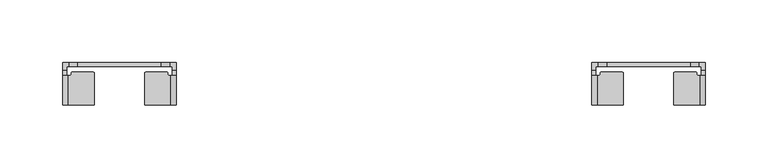
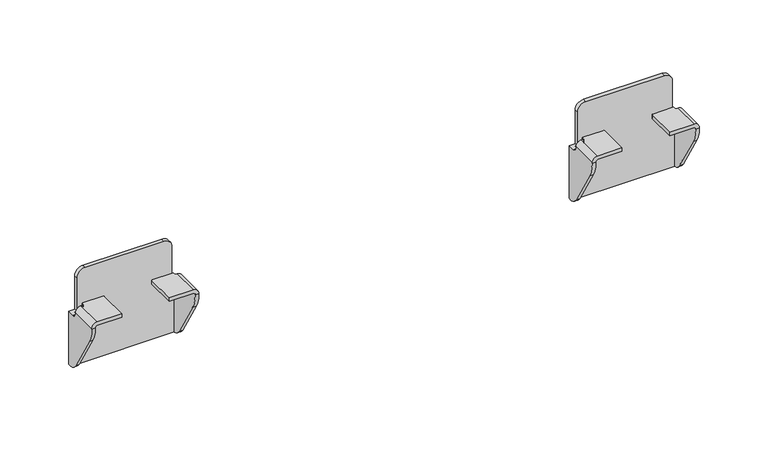
"""IFC4 building model written with IfcOpenShell, lengths in millimetres: furniture geometry."""

from ifc_helpers import new_model, si_unit, frame, origin, place, context, project, spatial, polyline, circle_curve, source, transform, mapped, element, save
from ifc_brep_helpers import plane_surface, cylinder_surface, revolved_surface, advanced_brep


def furniture_9042d44c(model_context):
    return source(origin(), model_context, "Body", "AdvancedBrep", [
        advanced_brep(
        [(569.5999933, 1.06716, 620.0380983), (569.5999933, 4.1049999, 620.0380983), (564.5999987, 4.1049999, 620.0380983), (564.5999987, -1.6875933, 620.0380983), (567.6378311, -1.6875933, 620.0380983), (567.6378311, 1.06716, 620.0380983), (649.6000067, 4.1049999, 620.0380983), (649.6000067, 1.06716, 620.0380983), (651.5621689, 1.06716, 620.0380983), (651.5621689, -1.6875933, 620.0380983), (654.6000013, -1.6875933, 620.0380983), (654.6000013, 4.1049999, 620.0380983), (649.5999885, 4.1049999, 649.8381144), (649.5999885, 1.06716, 649.8381144), (642.5999979, 4.1049999, 656.838105), (642.5999979, 1.06716, 656.838105), (576.6000021, 4.1049999, 656.838105), (576.6000021, 1.06716, 656.838105), (569.5999933, 4.1049999, 649.8380962), (569.5999933, 1.06716, 649.8380962), (589.5999989, -29.5203411, 626.5001312), (589.5999989, -29.5203411, 629.5379545), (569.0425228, -29.5203411, 629.5379545), (564.5999987, -29.5203411, 625.0954304), (564.5999987, -29.5203411, 624.6295199), (567.6378311, -29.5203411, 624.6295199), (567.6378311, -29.5203411, 625.0357436), (569.1022188, -29.5203411, 626.5001312), (629.6000011, -29.5203411, 626.5001312), (650.0977812, -29.5203411, 626.5001312), (651.5621689, -29.5203411, 625.0357436), (651.5621689, -29.5203411, 624.6295199), (654.6000013, -29.5203411, 624.6295199), (654.6000013, -29.5203411, 625.0954304), (650.1574772, -29.5203411, 629.5379545), (629.6000011, -29.5203411, 629.5379545), (654.6000013, 4.1049999, 573.0381329), (564.5999987, 4.1049999, 573.0381329), (589.5999989, -4.3999769, 626.5001312), (589.5999989, -4.3999769, 629.5379545), (588.7203621, -3.5203401, 629.5379545), (571.837616, -3.5203401, 629.5379545), (571.0999926, -4.2579635, 629.5379545), (571.0999926, -5.4397153, 629.5379545), (570.5193678, -6.0203402, 629.5379545), (569.0425228, -6.0203402, 629.5379545), (564.5999987, -6.0203402, 625.0954304), (564.5999987, -6.0203402, 624.3708452), (564.5999987, 0.8823599, 573.0381329), (564.5999987, -5.9290326, 577.9183582), (564.5999987, -25.8702399, 611.375914), (567.6378311, 0.8823599, 573.0381329), (654.6000013, 0.8823599, 573.0381329), (651.5621689, 0.8823599, 573.0381329), (651.5621689, 1.06716, 573.0381329), (567.6378311, 1.06716, 573.0381329), (567.6378311, -25.8702399, 611.375914), (567.6378311, -5.9290326, 577.9183582), (567.6378311, -6.0203402, 624.3708452), (567.6378311, -6.0203402, 625.0357436), (569.1022188, -6.0203402, 626.5001312), (570.5193678, -6.0203402, 626.5001312), (571.0999926, -5.4397153, 626.5001312), (571.0999926, -4.2579635, 626.5001312), (571.837616, -3.5203401, 626.5001312), (588.7203621, -3.5203401, 626.5001312), (629.6000011, -4.3999769, 626.5001312), (630.4796379, -3.5203401, 626.5001312), (647.362384, -3.5203401, 626.5001312), (648.1000074, -4.2579635, 626.5001312), (648.1000074, -5.4397153, 626.5001312), (648.6806322, -6.0203402, 626.5001312), (650.0977812, -6.0203402, 626.5001312), (651.5621689, -6.0203402, 625.0357436), (651.5621689, -6.0203402, 624.3708452), (651.5621689, -5.9290326, 577.9183582), (651.5621689, -25.8702399, 611.375914), (654.6000013, -25.8702399, 611.375914), (654.6000013, -5.9290326, 577.9183582), (654.6000013, -6.0203402, 624.3708452), (654.6000013, -6.0203402, 625.0954304), (650.1574772, -6.0203402, 629.5379545), (648.6806322, -6.0203402, 629.5379545), (648.1000074, -5.4397153, 629.5379545), (648.1000074, -4.2579635, 629.5379545), (647.362384, -3.5203401, 629.5379545), (630.4796379, -3.5203401, 629.5379545), (629.6000011, -4.3999769, 629.5379545)],
        [
            (0, 1),
            (1, 2),
            (2, 3),
            (3, 4),
            (4, 5),
            (5, 0),
            (6, 7),
            (7, 8),
            (8, 9),
            (9, 10),
            (10, 11),
            (11, 6),
            (12, 13),
            (13, 7),
            (6, 12),
            (12, 14, circle_curve(frame((642.5999979, 4.1049999, 649.8381144), z_axis=(0.0, -1.0, 0.0), x_axis=(1.0, 0.0, 0.0)), 6.9999906)),
            (14, 15),
            (15, 13, circle_curve(frame((642.5999979, 1.06716, 649.8381144), z_axis=(0.0, 1.0, 0.0), x_axis=(1.0, 0.0, 0.0)), 6.9999906)),
            (14, 16),
            (16, 17),
            (17, 15),
            (16, 18, circle_curve(frame((576.6000021, 4.1049999, 649.8380962), z_axis=(0.0, -1.0, 0.0), x_axis=(1.0, 0.0, 0.0)), 7.0000088)),
            (18, 19),
            (19, 17, circle_curve(frame((576.6000021, 1.06716, 649.8380962), z_axis=(0.0, 1.0, 0.0), x_axis=(1.0, 0.0, 0.0)), 7.0000088)),
            (18, 1),
            (0, 19),
            (20, 21),
            (21, 22),
            (22, 23, circle_curve(frame((569.0425228, -29.5203411, 625.0954304), z_axis=(0.0, -1.0, 0.0), x_axis=(1.0, 0.0, 0.0)), 4.4425241)),
            (23, 24),
            (24, 25),
            (25, 26),
            (26, 27, circle_curve(frame((569.1022188, -29.5203411, 625.0357436), z_axis=(0.0, 1.0, 0.0), x_axis=(1.0, 0.0, 0.0)), 1.4643876)),
            (27, 20),
            (28, 29),
            (29, 30, circle_curve(frame((650.0977812, -29.5203411, 625.0357436), z_axis=(0.0, 1.0, 0.0), x_axis=(-1.0, 0.0, 0.0)), 1.4643876)),
            (30, 31),
            (31, 32),
            (32, 33),
            (33, 34, circle_curve(frame((650.1574772, -29.5203411, 625.0954304), z_axis=(0.0, -1.0, 0.0), x_axis=(-1.0, 0.0, 0.0)), 4.4425241)),
            (34, 35),
            (35, 28),
            (11, 36),
            (36, 37),
            (37, 2),
            (20, 38),
            (38, 39),
            (39, 21),
            (39, 40, circle_curve(frame((588.7203621, -4.3999769, 629.5379545), z_axis=(0.0, 0.0, 1.0), x_axis=(1.0, 0.0, 0.0)), 0.8796369)),
            (40, 41),
            (41, 42, circle_curve(frame((571.837616, -4.2579635, 629.5379545), z_axis=(0.0, 0.0, 1.0), x_axis=(1.0, 0.0, 0.0)), 0.7376234)),
            (42, 43),
            (43, 44, circle_curve(frame((570.5193678, -5.4397153, 629.5379545), z_axis=(0.0, 0.0, -1.0), x_axis=(1.0, 0.0, 0.0)), 0.5806249)),
            (44, 45),
            (45, 22),
            (45, 46, circle_curve(frame((569.0425228, -6.0203402, 625.0954304), z_axis=(0.0, -1.0, 0.0), x_axis=(1.0, 0.0, 0.0)), 4.4425241)),
            (46, 23),
            (46, 47),
            (47, 3, circle_curve(frame((564.5999987, -1.6875933, 624.3708452), z_axis=(1.0, 0.0, 0.0), x_axis=(0.0, -1.0, 0.0)), 4.3327469)),
            (37, 48),
            (48, 49, circle_curve(frame((564.5999987, 3.066225, 583.2796673), z_axis=(-1.0, 0.0, 0.0), x_axis=(0.0, -1.0, 0.0)), 10.4717856)),
            (49, 50),
            (50, 24, circle_curve(frame((564.5999987, -3.6332082, 624.6295199), z_axis=(-1.0, 0.0, 0.0), x_axis=(0.0, -1.0, 0.0)), 25.8871329)),
            (51, 48),
            (36, 52),
            (52, 53),
            (53, 54),
            (54, 55),
            (55, 51),
            (25, 56, circle_curve(frame((567.6378311, -3.6332082, 624.6295199), z_axis=(1.0, 0.0, 0.0), x_axis=(0.0, -1.0, 0.0)), 25.8871329)),
            (56, 57),
            (57, 51, circle_curve(frame((567.6378311, 3.066225, 583.2796673), z_axis=(1.0, 0.0, 0.0), x_axis=(0.0, -1.0, 0.0)), 10.4717856)),
            (55, 5),
            (4, 58, circle_curve(frame((567.6378311, -1.6875933, 624.3708452), z_axis=(-1.0, 0.0, 0.0), x_axis=(0.0, -1.0, 0.0)), 4.3327469)),
            (58, 59),
            (59, 26),
            (59, 60, circle_curve(frame((569.1022188, -6.0203402, 625.0357436), z_axis=(0.0, 1.0, 0.0), x_axis=(1.0, 0.0, 0.0)), 1.4643876)),
            (60, 27),
            (60, 61),
            (61, 62, circle_curve(frame((570.5193678, -5.4397153, 626.5001312), z_axis=(0.0, 0.0, 1.0), x_axis=(1.0, 0.0, 0.0)), 0.5806249)),
            (62, 63),
            (63, 64, circle_curve(frame((571.837616, -4.2579635, 626.5001312), z_axis=(0.0, 0.0, -1.0), x_axis=(1.0, 0.0, 0.0)), 0.7376234)),
            (64, 65),
            (65, 38, circle_curve(frame((588.7203621, -4.3999769, 626.5001312), z_axis=(0.0, 0.0, -1.0), x_axis=(1.0, 0.0, 0.0)), 0.8796369)),
            (28, 66),
            (66, 67, circle_curve(frame((630.4796379, -4.3999769, 626.5001312), z_axis=(0.0, 0.0, -1.0), x_axis=(-1.0, 0.0, 0.0)), 0.8796369)),
            (67, 68),
            (68, 69, circle_curve(frame((647.362384, -4.2579635, 626.5001312), z_axis=(0.0, 0.0, -1.0), x_axis=(-1.0, 0.0, 0.0)), 0.7376234)),
            (69, 70),
            (70, 71, circle_curve(frame((648.6806322, -5.4397153, 626.5001312), z_axis=(0.0, 0.0, 1.0), x_axis=(-1.0, 0.0, 0.0)), 0.5806249)),
            (71, 72),
            (72, 29),
            (72, 73, circle_curve(frame((650.0977812, -6.0203402, 625.0357436), z_axis=(0.0, 1.0, 0.0), x_axis=(-1.0, 0.0, 0.0)), 1.4643876)),
            (73, 30),
            (73, 74),
            (74, 9, circle_curve(frame((651.5621689, -1.6875933, 624.3708452), z_axis=(1.0, 0.0, 0.0), x_axis=(0.0, -1.0, 0.0)), 4.3327469)),
            (8, 54),
            (53, 75, circle_curve(frame((651.5621689, 3.066225, 583.2796673), z_axis=(-1.0, 0.0, 0.0), x_axis=(0.0, -1.0, 0.0)), 10.4717856)),
            (75, 76),
            (76, 31, circle_curve(frame((651.5621689, -3.6332082, 624.6295199), z_axis=(-1.0, 0.0, 0.0), x_axis=(0.0, -1.0, 0.0)), 25.8871329)),
            (32, 77, circle_curve(frame((654.6000013, -3.6332082, 624.6295199), z_axis=(1.0, 0.0, 0.0), x_axis=(0.0, -1.0, 0.0)), 25.8871329)),
            (77, 78),
            (78, 52, circle_curve(frame((654.6000013, 3.066225, 583.2796673), z_axis=(1.0, 0.0, 0.0), x_axis=(0.0, -1.0, 0.0)), 10.4717856)),
            (10, 79, circle_curve(frame((654.6000013, -1.6875933, 624.3708452), z_axis=(-1.0, 0.0, 0.0), x_axis=(0.0, -1.0, 0.0)), 4.3327469)),
            (79, 80),
            (80, 33),
            (80, 81, circle_curve(frame((650.1574772, -6.0203402, 625.0954304), z_axis=(0.0, -1.0, 0.0), x_axis=(-1.0, 0.0, 0.0)), 4.4425241)),
            (81, 34),
            (81, 82),
            (82, 83, circle_curve(frame((648.6806322, -5.4397153, 629.5379545), z_axis=(0.0, 0.0, -1.0), x_axis=(-1.0, 0.0, 0.0)), 0.5806249)),
            (83, 84),
            (84, 85, circle_curve(frame((647.362384, -4.2579635, 629.5379545), z_axis=(0.0, 0.0, 1.0), x_axis=(-1.0, 0.0, 0.0)), 0.7376234)),
            (85, 86),
            (86, 87, circle_curve(frame((630.4796379, -4.3999769, 629.5379545), z_axis=(0.0, 0.0, 1.0), x_axis=(-1.0, 0.0, 0.0)), 0.8796369)),
            (87, 35),
            (87, 66),
            (49, 57),
            (56, 50),
            (75, 78),
            (77, 76),
            (47, 58),
            (74, 79),
            (64, 41),
            (40, 65),
            (44, 61),
            (43, 62),
            (42, 63),
            (68, 85),
            (84, 69),
            (83, 70),
            (82, 71),
            (86, 67),
        ],
        [
            plane_surface(frame((568.4182251, 1.06716, 620.0380983), z_axis=(0.0, 0.0, 1.0), x_axis=(0.0, 1.0, 0.0))),
            plane_surface(frame((654.6000013, 1.06716, 620.0380983), z_axis=(0.0, 0.0, 1.0), x_axis=(0.0, 1.0, 0.0))),
            plane_surface(frame((649.5999885, 1.06716, 621.2198666), z_axis=(1.0, 0.0, 0.0), x_axis=(0.0, 1.0, 0.0))),
            cylinder_surface(frame((642.5999979, 4.1049999, 649.8381144), z_axis=(0.0, -1.0, 0.0), x_axis=(1.0, 0.0, 0.0)), 6.9999906),
            plane_surface(frame((642.5999979, 1.06716, 656.838105), z_axis=(0.0, 0.0, 1.0), x_axis=(0.0, 1.0, 0.0))),
            cylinder_surface(frame((576.6000021, 4.1049999, 649.8380962), z_axis=(0.0, -1.0, 0.0), x_axis=(1.0, 0.0, 0.0)), 7.0000088),
            plane_surface(frame((569.5999933, 1.06716, 649.8380962), z_axis=(-1.0, 0.0, 0.0), x_axis=(0.0, 1.0, 0.0))),
            plane_surface(frame((589.5999989, -29.5203411, 629.5379545), z_axis=(0.0, -1.0, 0.0), x_axis=(0.0, 0.0, 1.0))),
            plane_surface(frame((589.5999989, 4.1049999, 629.5379545), z_axis=(0.0, 1.0, 0.0), x_axis=(0.0, 0.0, -1.0))),
            plane_surface(frame((589.5999989, -29.5203411, 626.5001312), z_axis=(1.0, 0.0, 0.0), x_axis=(0.0, 1.0, 0.0))),
            plane_surface(frame((589.5999989, -29.5203411, 629.5379545), z_axis=(0.0, 0.0, 1.0), x_axis=(0.0, 1.0, 0.0))),
            cylinder_surface(frame((569.0425228, 4.1049999, 625.0954304), z_axis=(0.0, -1.0, 0.0), x_axis=(1.0, 0.0, 0.0)), 4.4425241),
            plane_surface(frame((564.5999987, -29.5203411, 625.0954304), z_axis=(-1.0, 0.0, 0.0), x_axis=(0.0, 1.0, 0.0))),
            plane_surface(frame((564.5999987, -29.5203411, 573.0381329), z_axis=(0.0, 0.0, -1.0), x_axis=(0.0, 1.0, 0.0))),
            plane_surface(frame((567.6378311, -29.5203411, 573.0381329), z_axis=(1.0, 0.0, 0.0), x_axis=(0.0, 1.0, 0.0))),
            revolved_surface(polyline([(570.5666064, -6.020340199999999, 625.0357436), (570.5666064, -29.5203411, 625.0357436)]), (569.1022188, 4.1049999, 625.0357436), (0.0, 1.0, 0.0)),
            plane_surface(frame((569.1022188, -29.5203411, 626.5001312), z_axis=(0.0, 0.0, -1.0), x_axis=(0.0, 1.0, 0.0))),
            plane_surface(frame((629.6000011, -29.5203411, 626.5001312), z_axis=(0.0, 0.0, -1.0), x_axis=(0.0, 1.0, 0.0))),
            revolved_surface(polyline([(648.6333936, -6.0203402, 625.0357436), (648.6333936, -29.5203411, 625.0357436)]), (650.0977812, 0.0, 625.0357436), (0.0, 1.0, 0.0)),
            plane_surface(frame((651.5621689, -29.5203411, 625.0357436), z_axis=(-1.0, 0.0, 0.0), x_axis=(0.0, 1.0, 0.0))),
            plane_surface(frame((654.6000013, -29.5203411, 573.0381329), z_axis=(1.0, 0.0, 0.0), x_axis=(0.0, 1.0, 0.0))),
            cylinder_surface(frame((650.1574772, 0.0, 625.0954304), z_axis=(0.0, -1.0, 0.0), x_axis=(-1.0, 0.0, 0.0)), 4.4425241),
            plane_surface(frame((650.1574772, -29.5203411, 629.5379545), z_axis=(0.0, 0.0, 1.0), x_axis=(0.0, 1.0, 0.0))),
            plane_surface(frame((629.6000011, -29.5203411, 629.5379545), z_axis=(-1.0, 0.0, 0.0), x_axis=(0.0, 1.0, 0.0))),
            plane_surface(frame((657.1335525, -5.9290326, 577.9183582), z_axis=(0.0, -0.8589994037788274, -0.5119765857025291), x_axis=(-1.0, 0.0, 0.0))),
            cylinder_surface(frame((562.3902719, -3.6332082, 624.6295199), z_axis=(-1.0, 0.0, 0.0), x_axis=(0.0, -1.0, 0.0)), 25.8871329),
            cylinder_surface(frame((562.3902719, 3.066225, 583.2796673), z_axis=(-1.0, 0.0, 0.0), x_axis=(0.0, -1.0, 0.0)), 10.4717856),
            revolved_surface(polyline([(567.6378311, -6.0203402, 624.3708452), (564.5999987, -6.0203402, 624.3708452)]), (562.3902719, -1.6875933, 624.3708452), (1.0, 0.0, 0.0)),
            revolved_surface(polyline([(651.5621689, -6.0203402, 624.3708452), (654.6000013, -6.0203402, 624.3708452)]), (656.8097281, -1.6875933, 624.3708452), (-1.0, 0.0, 0.0)),
            plane_surface(frame((571.837616, -3.5203401, 663.2138968), z_axis=(0.0, 1.0, 0.0), x_axis=(0.0, 0.0, -1.0))),
            cylinder_surface(frame((588.7203621, -4.3999769, 560.9501359), z_axis=(0.0, 0.0, -1.0), x_axis=(1.0, 0.0, 0.0)), 0.8796369),
            plane_surface(frame((589.5999989, 1.06716, 663.2138968), z_axis=(0.0, -1.0, 0.0), x_axis=(0.0, 0.0, -1.0))),
            plane_surface(frame((569.5999933, -6.0203402, 663.2138968), z_axis=(0.0, 1.0, 0.0), x_axis=(0.0, 0.0, -1.0))),
            revolved_surface(polyline([(571.0999927, -5.4397153, 629.5379545), (571.0999927, -5.4397153, 626.5001312)]), (570.5193678, -5.4397153, 560.9501359), (0.0, 0.0, 1.0)),
            plane_surface(frame((571.0999926, -5.4397153, 663.2138968), z_axis=(-1.0, 0.0, 0.0), x_axis=(0.0, 0.0, -1.0))),
            cylinder_surface(frame((571.837616, -4.2579635, 560.9501359), z_axis=(0.0, 0.0, -1.0), x_axis=(1.0, 0.0, 0.0)), 0.7376234),
            cylinder_surface(frame((647.362384, -4.2579635, 48.3485614), z_axis=(0.0, 0.0, -1.0), x_axis=(-1.0, 0.0, 0.0)), 0.7376234),
            plane_surface(frame((648.1000074, -4.2579635, 663.2138968), z_axis=(1.0, 0.0, 0.0), x_axis=(0.0, 0.0, -1.0))),
            revolved_surface(polyline([(648.1000073, -5.4397153, 629.5379545), (648.1000073, -5.4397153, 626.5001312)]), (648.6806322, -5.4397153, 48.3485614), (0.0, 0.0, 1.0)),
            plane_surface(frame((648.6806322, -6.0203402, 663.2138968), z_axis=(0.0, 1.0, 0.0), x_axis=(0.0, 0.0, -1.0))),
            cylinder_surface(frame((630.4796379, -4.3999769, 48.3485614), z_axis=(0.0, 0.0, -1.0), x_axis=(-1.0, 0.0, 0.0)), 0.8796369),
            plane_surface(frame((630.4796379, -3.5203401, 663.2138968), z_axis=(0.0, 1.0, 0.0), x_axis=(0.0, 0.0, -1.0))),
        ],
        [
            (0, [[1, 2, 3, 4, 5, 6]]),
            (1, [[7, 8, 9, 10, 11, 12]]),
            (2, [[13, 14, -7, 15]]),
            (3, [[16, 17, 18, -13]]),
            (4, [[19, 20, 21, -17]]),
            (5, [[22, 23, 24, -20]]),
            (6, [[-23, 25, -1, 26]]),
            (7, [[27, 28, 29, 30, 31, 32, 33, 34]]),
            (7, [[35, 36, 37, 38, 39, 40, 41, 42]]),
            (8, [[-22, -19, -16, -15, -12, 43, 44, 45, -2, -25]]),
            (9, [[-27, 46, 47, 48]]),
            (10, [[-28, -48, 49, 50, 51, 52, 53, 54, 55]]),
            (11, [[-29, -55, 56, 57]]),
            (12, [[-30, -57, 58, 59, -3, -45, 60, 61, 62, 63]]),
            (13, [[64, -60, -44, 65, 66, 67, 68, 69]]),
            (14, [[-32, 70, 71, 72, -69, 73, -5, 74, 75, 76]]),
            (15, [[-33, -76, 77, 78]]),
            (16, [[-34, -78, 79, 80, 81, 82, 83, 84, -46]]),
            (17, [[-35, 85, 86, 87, 88, 89, 90, 91, 92]]),
            (18, [[-36, -92, 93, 94]]),
            (19, [[-37, -94, 95, 96, -9, 97, -67, 98, 99, 100]]),
            (20, [[-39, 101, 102, 103, -65, -43, -11, 104, 105, 106]]),
            (21, [[-40, -106, 107, 108]]),
            (22, [[-41, -108, 109, 110, 111, 112, 113, 114, 115]]),
            (23, [[-42, -115, 116, -85]]),
            (24, [[117, -71, 118, -62]]),
            (24, [[119, -102, 120, -99]]),
            (25, [[-118, -70, -31, -63]]),
            (25, [[-120, -101, -38, -100]]),
            (26, [[-117, -61, -64, -72]]),
            (26, [[-119, -98, -66, -103]]),
            (27, [[121, -74, -4, -59]]),
            (28, [[122, -104, -10, -96]]),
            (29, [[123, -50, 124, -83]]),
            (30, [[-124, -49, -47, -84]]),
            (31, [[-14, -18, -21, -24, -26, -6, -73, -68, -97, -8]]),
            (32, [[125, -79, -77, -75, -121, -58, -56, -54]]),
            (33, [[-125, -53, 126, -80]]),
            (34, [[-126, -52, 127, -81]]),
            (35, [[-123, -82, -127, -51]]),
            (36, [[128, -112, 129, -88]]),
            (37, [[-129, -111, 130, -89]]),
            (38, [[-130, -110, 131, -90]]),
            (39, [[-131, -109, -107, -105, -122, -95, -93, -91]]),
            (40, [[132, -86, -116, -114]]),
            (41, [[-128, -87, -132, -113]]),
        ],
    ),
        advanced_brep(
        [(1070.1478062, 1.06716, 620.0380983), (1072.1099684, 1.06716, 620.0380983), (1072.1099684, -1.6875933, 620.0380983), (1075.1478008, -1.6875933, 620.0380983), (1075.1478008, 4.1049999, 620.0380983), (1070.1478062, 4.1049999, 620.0380983), (990.1477929, 4.1049999, 620.0380983), (985.1477983, 4.1049999, 620.0380983), (985.1477983, -1.6875933, 620.0380983), (988.1856307, -1.6875933, 620.0380983), (988.1856307, 1.06716, 620.0380983), (990.1477929, 1.06716, 620.0380983), (990.147811, 4.1049999, 649.8381144), (990.147811, 1.06716, 649.8381144), (997.1478016, 1.06716, 656.838105), (997.1478016, 4.1049999, 656.838105), (1063.1477974, 1.06716, 656.838105), (1063.1477974, 4.1049999, 656.838105), (1070.1478062, 1.06716, 649.8380962), (1070.1478062, 4.1049999, 649.8380962), (1050.1478006, -29.5203411, 626.5001312), (1070.6455808, -29.5203411, 626.5001312), (1072.1099684, -29.5203411, 625.0357436), (1072.1099684, -29.5203411, 624.6295199), (1075.1478008, -29.5203411, 624.6295199), (1075.1478008, -29.5203411, 625.0954304), (1070.7052767, -29.5203411, 629.5379545), (1050.1478006, -29.5203411, 629.5379545), (1010.1477985, -29.5203411, 626.5001312), (1010.1477985, -29.5203411, 629.5379545), (989.5903224, -29.5203411, 629.5379545), (985.1477983, -29.5203411, 625.0954304), (985.1477983, -29.5203411, 624.6295199), (988.1856307, -29.5203411, 624.6295199), (988.1856307, -29.5203411, 625.0357436), (989.6500183, -29.5203411, 626.5001312), (1075.1478008, 4.1049999, 573.0381329), (985.1477983, 4.1049999, 573.0381329), (1050.1478006, -4.3999769, 629.5379545), (1050.1478006, -4.3999769, 626.5001312), (1070.7052767, -6.0203402, 629.5379545), (1069.2284318, -6.0203402, 629.5379545), (1068.6478069, -5.4397153, 629.5379545), (1068.6478069, -4.2579635, 629.5379545), (1067.9101835, -3.5203401, 629.5379545), (1051.0274375, -3.5203401, 629.5379545), (1075.1478008, -6.0203402, 625.0954304), (1075.1478008, -25.8702399, 611.375914), (1075.1478008, -5.9290326, 577.9183582), (1075.1478008, 0.8823599, 573.0381329), (1075.1478008, -6.0203402, 624.3708452), (1072.1099684, 0.8823599, 573.0381329), (1072.1099684, 1.06716, 573.0381329), (988.1856307, 1.06716, 573.0381329), (988.1856307, 0.8823599, 573.0381329), (985.1477983, 0.8823599, 573.0381329), (1072.1099684, -6.0203402, 625.0357436), (1072.1099684, -6.0203402, 624.3708452), (1072.1099684, -5.9290326, 577.9183582), (1072.1099684, -25.8702399, 611.375914), (1070.6455808, -6.0203402, 626.5001312), (1051.0274375, -3.5203401, 626.5001312), (1067.9101835, -3.5203401, 626.5001312), (1068.6478069, -4.2579635, 626.5001312), (1068.6478069, -5.4397153, 626.5001312), (1069.2284318, -6.0203402, 626.5001312), (989.6500183, -6.0203402, 626.5001312), (991.0671673, -6.0203402, 626.5001312), (991.6477921, -5.4397153, 626.5001312), (991.6477921, -4.2579635, 626.5001312), (992.3854155, -3.5203401, 626.5001312), (1009.2681616, -3.5203401, 626.5001312), (1010.1477985, -4.3999769, 626.5001312), (988.1856307, -6.0203402, 625.0357436), (988.1856307, -25.8702399, 611.375914), (988.1856307, -5.9290326, 577.9183582), (988.1856307, -6.0203402, 624.3708452), (985.1477983, -6.0203402, 625.0954304), (985.1477983, -6.0203402, 624.3708452), (985.1477983, -5.9290326, 577.9183582), (985.1477983, -25.8702399, 611.375914), (989.5903224, -6.0203402, 629.5379545), (1010.1477985, -4.3999769, 629.5379545), (1009.2681616, -3.5203401, 629.5379545), (992.3854155, -3.5203401, 629.5379545), (991.6477921, -4.2579635, 629.5379545), (991.6477921, -5.4397153, 629.5379545), (991.0671673, -6.0203402, 629.5379545)],
        [
            (0, 1),
            (1, 2),
            (2, 3),
            (3, 4),
            (4, 5),
            (5, 0),
            (6, 7),
            (7, 8),
            (8, 9),
            (9, 10),
            (10, 11),
            (11, 6),
            (12, 6),
            (11, 13),
            (13, 12),
            (13, 14, circle_curve(frame((997.1478016, 1.06716, 649.8381144), z_axis=(0.0, 1.0, 0.0), x_axis=(-1.0, 0.0, 0.0)), 6.9999906)),
            (14, 15),
            (15, 12, circle_curve(frame((997.1478016, 4.1049999, 649.8381144), z_axis=(0.0, -1.0, 0.0), x_axis=(-1.0, 0.0, 0.0)), 6.9999906)),
            (14, 16),
            (16, 17),
            (17, 15),
            (16, 18, circle_curve(frame((1063.1477974, 1.06716, 649.8380962), z_axis=(0.0, 1.0, 0.0), x_axis=(-1.0, 0.0, 0.0)), 7.0000088)),
            (18, 19),
            (19, 17, circle_curve(frame((1063.1477974, 4.1049999, 649.8380962), z_axis=(0.0, -1.0, 0.0), x_axis=(-1.0, 0.0, 0.0)), 7.0000088)),
            (18, 0),
            (5, 19),
            (20, 21),
            (21, 22, circle_curve(frame((1070.6455808, -29.5203411, 625.0357436), z_axis=(0.0, 1.0, 0.0), x_axis=(-1.0, 0.0, 0.0)), 1.4643876)),
            (22, 23),
            (23, 24),
            (24, 25),
            (25, 26, circle_curve(frame((1070.7052767, -29.5203411, 625.0954304), z_axis=(0.0, -1.0, 0.0), x_axis=(-1.0, 0.0, 0.0)), 4.4425241)),
            (26, 27),
            (27, 20),
            (28, 29),
            (29, 30),
            (30, 31, circle_curve(frame((989.5903224, -29.5203411, 625.0954304), z_axis=(0.0, -1.0, 0.0), x_axis=(1.0, 0.0, 0.0)), 4.4425241)),
            (31, 32),
            (32, 33),
            (33, 34),
            (34, 35, circle_curve(frame((989.6500183, -29.5203411, 625.0357436), z_axis=(0.0, 1.0, 0.0), x_axis=(1.0, 0.0, 0.0)), 1.4643876)),
            (35, 28),
            (4, 36),
            (36, 37),
            (37, 7),
            (27, 38),
            (38, 39),
            (39, 20),
            (26, 40),
            (40, 41),
            (41, 42, circle_curve(frame((1069.2284318, -5.4397153, 629.5379545), z_axis=(0.0, 0.0, -1.0), x_axis=(-1.0, 0.0, 0.0)), 0.5806249)),
            (42, 43),
            (43, 44, circle_curve(frame((1067.9101835, -4.2579635, 629.5379545), z_axis=(0.0, 0.0, 1.0), x_axis=(-1.0, 0.0, 0.0)), 0.7376234)),
            (44, 45),
            (45, 38, circle_curve(frame((1051.0274375, -4.3999769, 629.5379545), z_axis=(0.0, 0.0, 1.0), x_axis=(-1.0, 0.0, 0.0)), 0.8796369)),
            (25, 46),
            (46, 40, circle_curve(frame((1070.7052767, -6.0203402, 625.0954304), z_axis=(0.0, -1.0, 0.0), x_axis=(-1.0, 0.0, 0.0)), 4.4425241)),
            (24, 47, circle_curve(frame((1075.1478008, -3.6332082, 624.6295199), z_axis=(1.0, 0.0, 0.0), x_axis=(0.0, -1.0, 0.0)), 25.8871329)),
            (47, 48),
            (48, 49, circle_curve(frame((1075.1478008, 3.066225, 583.2796673), z_axis=(1.0, 0.0, 0.0), x_axis=(0.0, -1.0, 0.0)), 10.4717856)),
            (49, 36),
            (3, 50, circle_curve(frame((1075.1478008, -1.6875933, 624.3708452), z_axis=(-1.0, 0.0, 0.0), x_axis=(0.0, -1.0, 0.0)), 4.3327469)),
            (50, 46),
            (51, 52),
            (52, 53),
            (53, 54),
            (54, 55),
            (55, 37),
            (49, 51),
            (22, 56),
            (56, 57),
            (57, 2, circle_curve(frame((1072.1099684, -1.6875933, 624.3708452), z_axis=(1.0, 0.0, 0.0), x_axis=(0.0, -1.0, 0.0)), 4.3327469)),
            (1, 52),
            (51, 58, circle_curve(frame((1072.1099684, 3.066225, 583.2796673), z_axis=(-1.0, 0.0, 0.0), x_axis=(0.0, -1.0, 0.0)), 10.4717856)),
            (58, 59),
            (59, 23, circle_curve(frame((1072.1099684, -3.6332082, 624.6295199), z_axis=(-1.0, 0.0, 0.0), x_axis=(0.0, -1.0, 0.0)), 25.8871329)),
            (21, 60),
            (60, 56, circle_curve(frame((1070.6455808, -6.0203402, 625.0357436), z_axis=(0.0, 1.0, 0.0), x_axis=(-1.0, 0.0, 0.0)), 1.4643876)),
            (39, 61, circle_curve(frame((1051.0274375, -4.3999769, 626.5001312), z_axis=(0.0, 0.0, -1.0), x_axis=(-1.0, 0.0, 0.0)), 0.8796369)),
            (61, 62),
            (62, 63, circle_curve(frame((1067.9101835, -4.2579635, 626.5001312), z_axis=(0.0, 0.0, -1.0), x_axis=(-1.0, 0.0, 0.0)), 0.7376234)),
            (63, 64),
            (64, 65, circle_curve(frame((1069.2284318, -5.4397153, 626.5001312), z_axis=(0.0, 0.0, 1.0), x_axis=(-1.0, 0.0, 0.0)), 0.5806249)),
            (65, 60),
            (35, 66),
            (66, 67),
            (67, 68, circle_curve(frame((991.0671673, -5.4397153, 626.5001312), z_axis=(0.0, 0.0, 1.0), x_axis=(1.0, 0.0, 0.0)), 0.5806249)),
            (68, 69),
            (69, 70, circle_curve(frame((992.3854155, -4.2579635, 626.5001312), z_axis=(0.0, 0.0, -1.0), x_axis=(1.0, 0.0, 0.0)), 0.7376234)),
            (70, 71),
            (71, 72, circle_curve(frame((1009.2681616, -4.3999769, 626.5001312), z_axis=(0.0, 0.0, -1.0), x_axis=(1.0, 0.0, 0.0)), 0.8796369)),
            (72, 28),
            (34, 73),
            (73, 66, circle_curve(frame((989.6500183, -6.0203402, 625.0357436), z_axis=(0.0, 1.0, 0.0), x_axis=(1.0, 0.0, 0.0)), 1.4643876)),
            (33, 74, circle_curve(frame((988.1856307, -3.6332082, 624.6295199), z_axis=(1.0, 0.0, 0.0), x_axis=(0.0, -1.0, 0.0)), 25.8871329)),
            (74, 75),
            (75, 54, circle_curve(frame((988.1856307, 3.066225, 583.2796673), z_axis=(1.0, 0.0, 0.0), x_axis=(0.0, -1.0, 0.0)), 10.4717856)),
            (53, 10),
            (9, 76, circle_curve(frame((988.1856307, -1.6875933, 624.3708452), z_axis=(-1.0, 0.0, 0.0), x_axis=(0.0, -1.0, 0.0)), 4.3327469)),
            (76, 73),
            (31, 77),
            (77, 78),
            (78, 8, circle_curve(frame((985.1477983, -1.6875933, 624.3708452), z_axis=(1.0, 0.0, 0.0), x_axis=(0.0, -1.0, 0.0)), 4.3327469)),
            (55, 79, circle_curve(frame((985.1477983, 3.066225, 583.2796673), z_axis=(-1.0, 0.0, 0.0), x_axis=(0.0, -1.0, 0.0)), 10.4717856)),
            (79, 80),
            (80, 32, circle_curve(frame((985.1477983, -3.6332082, 624.6295199), z_axis=(-1.0, 0.0, 0.0), x_axis=(0.0, -1.0, 0.0)), 25.8871329)),
            (30, 81),
            (81, 77, circle_curve(frame((989.5903224, -6.0203402, 625.0954304), z_axis=(0.0, -1.0, 0.0), x_axis=(1.0, 0.0, 0.0)), 4.4425241)),
            (29, 82),
            (82, 83, circle_curve(frame((1009.2681616, -4.3999769, 629.5379545), z_axis=(0.0, 0.0, 1.0), x_axis=(1.0, 0.0, 0.0)), 0.8796369)),
            (83, 84),
            (84, 85, circle_curve(frame((992.3854155, -4.2579635, 629.5379545), z_axis=(0.0, 0.0, 1.0), x_axis=(1.0, 0.0, 0.0)), 0.7376234)),
            (85, 86),
            (86, 87, circle_curve(frame((991.0671673, -5.4397153, 629.5379545), z_axis=(0.0, 0.0, -1.0), x_axis=(1.0, 0.0, 0.0)), 0.5806249)),
            (87, 81),
            (72, 82),
            (47, 59),
            (58, 48),
            (74, 80),
            (79, 75),
            (57, 50),
            (78, 76),
            (61, 45),
            (44, 62),
            (65, 41),
            (64, 42),
            (63, 43),
            (69, 85),
            (84, 70),
            (68, 86),
            (67, 87),
            (71, 83),
        ],
        [
            plane_surface(frame((1071.3295744, 1.06716, 620.0380983), z_axis=(0.0, 0.0, 1.0), x_axis=(0.0, 1.0, 0.0))),
            plane_surface(frame((985.1477983, 1.06716, 620.0380983), z_axis=(0.0, 0.0, 1.0), x_axis=(0.0, 1.0, 0.0))),
            plane_surface(frame((990.147811, 1.06716, 621.2198666), z_axis=(-1.0, 0.0, 0.0), x_axis=(0.0, 1.0, 0.0))),
            cylinder_surface(frame((997.1478016, 4.1049999, 649.8381144), z_axis=(0.0, -1.0, 0.0), x_axis=(-1.0, 0.0, 0.0)), 6.9999906),
            plane_surface(frame((997.1478016, 1.06716, 656.838105), z_axis=(0.0, 0.0, 1.0), x_axis=(0.0, 1.0, 0.0))),
            cylinder_surface(frame((1063.1477974, 4.1049999, 649.8380962), z_axis=(0.0, -1.0, 0.0), x_axis=(-1.0, 0.0, 0.0)), 7.0000088),
            plane_surface(frame((1070.1478062, 1.06716, 649.8380962), z_axis=(1.0, 0.0, 0.0), x_axis=(0.0, 1.0, 0.0))),
            plane_surface(frame((1050.1478006, -29.5203411, 629.5379545), z_axis=(0.0, -1.0, 0.0), x_axis=(0.0, 0.0, 1.0))),
            plane_surface(frame((1050.1478006, 4.1049999, 629.5379545), z_axis=(0.0, 1.0, 0.0), x_axis=(0.0, 0.0, -1.0))),
            plane_surface(frame((1050.1478006, -29.5203411, 626.5001312), z_axis=(-1.0, 0.0, 0.0), x_axis=(0.0, 1.0, 0.0))),
            plane_surface(frame((1050.1478006, -29.5203411, 629.5379545), z_axis=(0.0, 0.0, 1.0), x_axis=(0.0, 1.0, 0.0))),
            cylinder_surface(frame((1070.7052767, 4.1049999, 625.0954304), z_axis=(0.0, -1.0, 0.0), x_axis=(-1.0, 0.0, 0.0)), 4.4425241),
            plane_surface(frame((1075.1478008, -29.5203411, 625.0954304), z_axis=(1.0, 0.0, 0.0), x_axis=(0.0, 1.0, 0.0))),
            plane_surface(frame((1075.1478008, -29.5203411, 573.0381329), z_axis=(0.0, 0.0, -1.0), x_axis=(0.0, 1.0, 0.0))),
            plane_surface(frame((1072.1099684, -29.5203411, 573.0381329), z_axis=(-1.0, 0.0, 0.0), x_axis=(0.0, 1.0, 0.0))),
            revolved_surface(polyline([(1069.1811932, -6.020340199999999, 625.0357436), (1069.1811932, -29.5203411, 625.0357436)]), (1070.6455808, 4.1049999, 625.0357436), (0.0, 1.0, 0.0)),
            plane_surface(frame((1070.6455808, -29.5203411, 626.5001312), z_axis=(0.0, 0.0, -1.0), x_axis=(0.0, 1.0, 0.0))),
            plane_surface(frame((1010.1477985, -29.5203411, 626.5001312), z_axis=(0.0, 0.0, -1.0), x_axis=(0.0, 1.0, 0.0))),
            revolved_surface(polyline([(991.1144059000001, -6.0203402, 625.0357436), (991.1144059000001, -29.5203411, 625.0357436)]), (989.6500183, 0.0, 625.0357436), (0.0, 1.0, 0.0)),
            plane_surface(frame((988.1856307, -29.5203411, 625.0357436), z_axis=(1.0, 0.0, 0.0), x_axis=(0.0, 1.0, 0.0))),
            plane_surface(frame((985.1477983, -29.5203411, 573.0381329), z_axis=(-1.0, 0.0, 0.0), x_axis=(0.0, 1.0, 0.0))),
            cylinder_surface(frame((989.5903224, 0.0, 625.0954304), z_axis=(0.0, -1.0, 0.0), x_axis=(1.0, 0.0, 0.0)), 4.4425241),
            plane_surface(frame((989.5903224, -29.5203411, 629.5379545), z_axis=(0.0, 0.0, 1.0), x_axis=(0.0, 1.0, 0.0))),
            plane_surface(frame((1010.1477985, -29.5203411, 629.5379545), z_axis=(1.0, 0.0, 0.0), x_axis=(0.0, 1.0, 0.0))),
            plane_surface(frame((982.614247, -5.9290326, 577.9183582), z_axis=(0.0, -0.8589994037788274, -0.5119765857025291), x_axis=(1.0, 0.0, 0.0))),
            cylinder_surface(frame((1077.3575277, -3.6332082, 624.6295199), z_axis=(1.0, 0.0, 0.0), x_axis=(0.0, -1.0, 0.0)), 25.8871329),
            cylinder_surface(frame((1077.3575277, 3.066225, 583.2796673), z_axis=(1.0, 0.0, 0.0), x_axis=(0.0, -1.0, 0.0)), 10.4717856),
            revolved_surface(polyline([(1072.1099684, -6.0203402, 624.3708452), (1075.1478008, -6.0203402, 624.3708452)]), (1077.3575277, -1.6875933, 624.3708452), (-1.0, 0.0, 0.0)),
            revolved_surface(polyline([(988.1856307, -6.0203402, 624.3708452), (985.1477983, -6.0203402, 624.3708452)]), (982.9380714, -1.6875933, 624.3708452), (1.0, 0.0, 0.0)),
            plane_surface(frame((1067.9101835, -3.5203401, 663.2138968), z_axis=(0.0, 1.0, 0.0), x_axis=(0.0, 0.0, -1.0))),
            cylinder_surface(frame((1051.0274375, -4.3999769, 560.9501359), z_axis=(0.0, 0.0, -1.0), x_axis=(-1.0, 0.0, 0.0)), 0.8796369),
            plane_surface(frame((1050.1478006, 1.06716, 663.2138968), z_axis=(0.0, -1.0, 0.0), x_axis=(0.0, 0.0, -1.0))),
            plane_surface(frame((1070.1478062, -6.0203402, 663.2138968), z_axis=(0.0, 1.0, 0.0), x_axis=(0.0, 0.0, -1.0))),
            revolved_surface(polyline([(1068.6478069, -5.4397153, 629.5379545), (1068.6478069, -5.4397153, 626.5001312)]), (1069.2284318, -5.4397153, 560.9501359), (0.0, 0.0, 1.0)),
            plane_surface(frame((1068.6478069, -5.4397153, 663.2138968), z_axis=(1.0, 0.0, 0.0), x_axis=(0.0, 0.0, -1.0))),
            cylinder_surface(frame((1067.9101835, -4.2579635, 560.9501359), z_axis=(0.0, 0.0, -1.0), x_axis=(-1.0, 0.0, 0.0)), 0.7376234),
            cylinder_surface(frame((992.3854155, -4.2579635, 48.3485614), z_axis=(0.0, 0.0, -1.0), x_axis=(1.0, 0.0, 0.0)), 0.7376234),
            plane_surface(frame((991.6477921, -4.2579635, 663.2138968), z_axis=(-1.0, 0.0, 0.0), x_axis=(0.0, 0.0, -1.0))),
            revolved_surface(polyline([(991.6477922, -5.4397153, 629.5379545), (991.6477922, -5.4397153, 626.5001312)]), (991.0671673, -5.4397153, 48.3485614), (0.0, 0.0, 1.0)),
            plane_surface(frame((991.0671673, -6.0203402, 663.2138968), z_axis=(0.0, 1.0, 0.0), x_axis=(0.0, 0.0, -1.0))),
            cylinder_surface(frame((1009.2681616, -4.3999769, 48.3485614), z_axis=(0.0, 0.0, -1.0), x_axis=(1.0, 0.0, 0.0)), 0.8796369),
            plane_surface(frame((1009.2681616, -3.5203401, 663.2138968), z_axis=(0.0, 1.0, 0.0), x_axis=(0.0, 0.0, -1.0))),
        ],
        [
            (0, [[1, 2, 3, 4, 5, 6]]),
            (1, [[7, 8, 9, 10, 11, 12]]),
            (2, [[13, -12, 14, 15]]),
            (3, [[-15, 16, 17, 18]]),
            (4, [[-17, 19, 20, 21]]),
            (5, [[-20, 22, 23, 24]]),
            (6, [[25, -6, 26, -23]]),
            (7, [[27, 28, 29, 30, 31, 32, 33, 34]]),
            (7, [[35, 36, 37, 38, 39, 40, 41, 42]]),
            (8, [[-26, -5, 43, 44, 45, -7, -13, -18, -21, -24]]),
            (9, [[46, 47, 48, -34]]),
            (10, [[49, 50, 51, 52, 53, 54, 55, -46, -33]]),
            (11, [[56, 57, -49, -32]]),
            (12, [[58, 59, 60, 61, -43, -4, 62, 63, -56, -31]]),
            (13, [[64, 65, 66, 67, 68, -44, -61, 69]]),
            (14, [[70, 71, 72, -2, 73, -64, 74, 75, 76, -29]]),
            (15, [[77, 78, -70, -28]]),
            (16, [[-48, 79, 80, 81, 82, 83, 84, -77, -27]]),
            (17, [[85, 86, 87, 88, 89, 90, 91, 92, -42]]),
            (18, [[93, 94, -85, -41]]),
            (19, [[95, 96, 97, -66, 98, -10, 99, 100, -93, -40]]),
            (20, [[101, 102, 103, -8, -45, -68, 104, 105, 106, -38]]),
            (21, [[107, 108, -101, -37]]),
            (22, [[109, 110, 111, 112, 113, 114, 115, -107, -36]]),
            (23, [[-92, 116, -109, -35]]),
            (24, [[-59, 117, -75, 118]]),
            (24, [[-96, 119, -105, 120]]),
            (25, [[-58, -30, -76, -117]]),
            (25, [[-95, -39, -106, -119]]),
            (26, [[-74, -69, -60, -118]]),
            (26, [[-104, -67, -97, -120]]),
            (27, [[-62, -3, -72, 121]]),
            (28, [[-99, -9, -103, 122]]),
            (29, [[-80, 123, -54, 124]]),
            (30, [[-79, -47, -55, -123]]),
            (31, [[-11, -98, -65, -73, -1, -25, -22, -19, -16, -14]]),
            (32, [[-50, -57, -63, -121, -71, -78, -84, 125]]),
            (33, [[-83, 126, -51, -125]]),
            (34, [[-82, 127, -52, -126]]),
            (35, [[-53, -127, -81, -124]]),
            (36, [[-89, 128, -112, 129]]),
            (37, [[-88, 130, -113, -128]]),
            (38, [[-87, 131, -114, -130]]),
            (39, [[-86, -94, -100, -122, -102, -108, -115, -131]]),
            (40, [[-110, -116, -91, 132]]),
            (41, [[-111, -132, -90, -129]]),
        ],
    ),
    ])


if __name__ == "__main__":
    model = new_model("IFC4")
    model_context = context("Model", 3, world=origin())
    ifc_project = project(units=[si_unit("LENGTHUNIT", "METRE", prefix="MILLI")], contexts=[model_context])
    site = spatial("IfcSite", under=ifc_project)
    building = spatial("IfcBuilding", under=site)
    placement = place(None, origin())
    furniture_shape = furniture_9042d44c(model_context)
    element("IfcFurniture", 1, at=placement, inside=building, context=model_context, shape_type="MappedRepresentation", body=[
        mapped(furniture_shape, transform((0.0, 0.0, 0.0), x_axis=(1.0, 0.0, 0.0), y_axis=(0.0, 1.0, 0.0), z_axis=(0.0, 0.0, 1.0))),
    ])
    save(model, "model.ifc")
